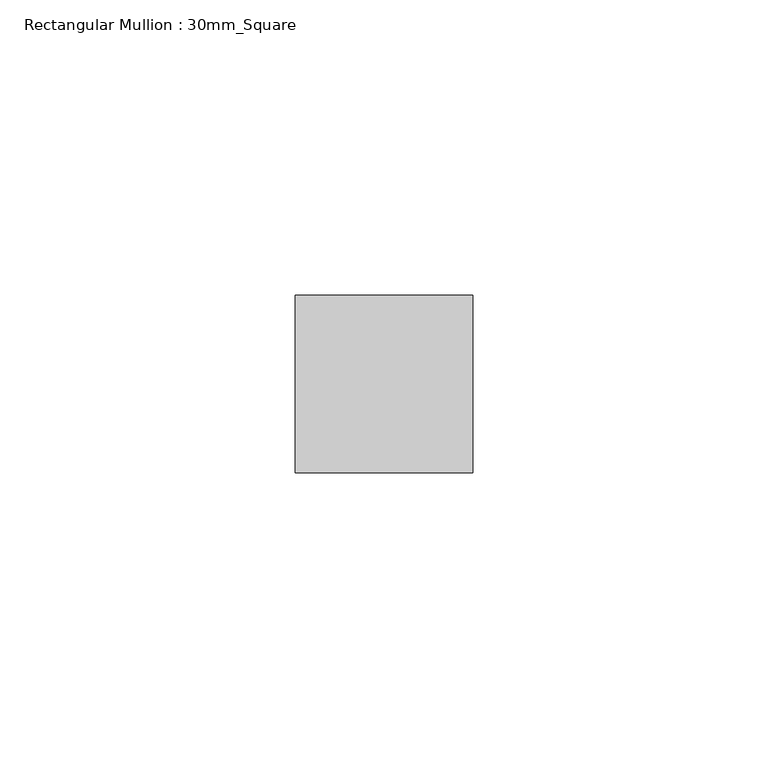
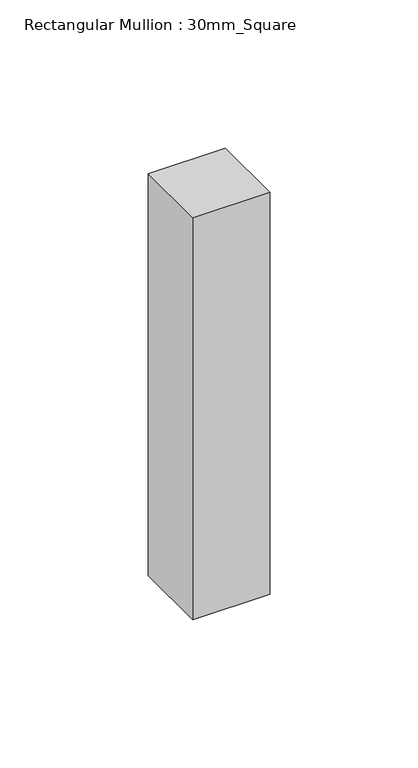
"""IFC4 building model written with IfcOpenShell, lengths in millimetres: member geometry, Rectangular Mullion : 30mm_Square."""

from ifc_helpers import new_model, si_unit, frame, origin, place, context, project, spatial, polyline, outline, extrude, source, transform, mapped, element, save


def rectangular_mullion_30mm_square_f374e2cc(model_context):
    return source(origin(), model_context, "Body", "SweptSolid", [
        extrude(outline(polyline([(0.0, 15.0), (0.0, -15.0), (-30.0, -15.0), (-30.0, 15.0), (0.0, 15.0)])), frame((0.0, 0.0, -165.5000003), z_axis=(0.0, 0.0, 1.0), x_axis=(1.0, 0.0, 0.0)), (0.0, 0.0, 1.0), 165.5000003),
    ])


if __name__ == "__main__":
    model = new_model("IFC4")
    model_context = context("Model", 3, world=origin())
    ifc_project = project(units=[si_unit("LENGTHUNIT", "METRE", prefix="MILLI")], contexts=[model_context])
    site = spatial("IfcSite", under=ifc_project)
    building = spatial("IfcBuilding", under=site)
    placement = place(None, origin())
    rectangular_mullion_30mm_square_shape = rectangular_mullion_30mm_square_f374e2cc(model_context)
    element("IfcMember", 1, ObjectType="Rectangular Mullion : 30mm_Square", at=placement, inside=building, context=model_context, shape_type="MappedRepresentation", body=[
        mapped(rectangular_mullion_30mm_square_shape, transform((0.0, 0.0, 0.0), x_axis=(1.0, 0.0, 0.0), y_axis=(0.0, 1.0, 0.0), z_axis=(0.0, 0.0, 1.0))),
    ])
    save(model, "model.ifc")
